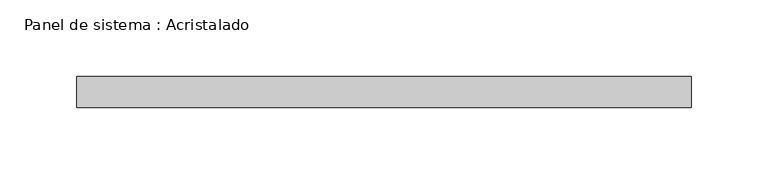
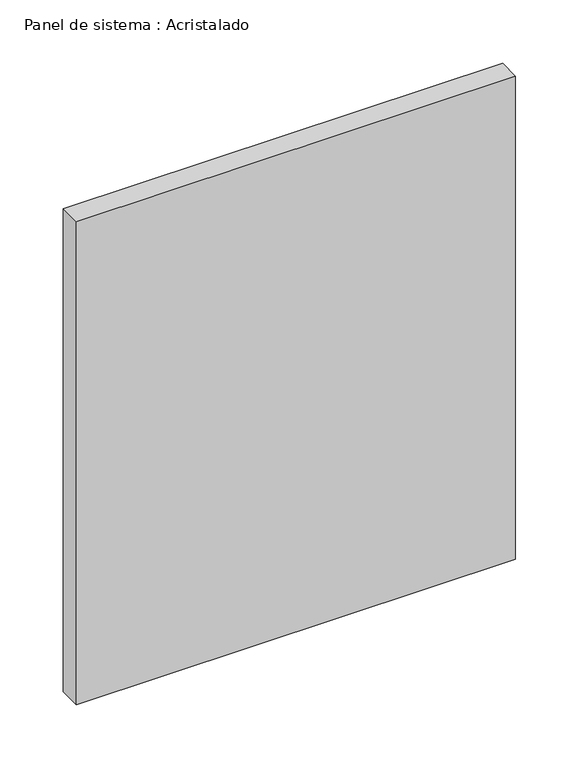
"""IFC4 building model written with IfcOpenShell, lengths in millimetres: plate geometry, Panel de sistema : Acristalado."""

from ifc_helpers import new_model, si_unit, origin, origin_with_axes, place, context, project, spatial, polyline, outline, extrude, source, transform, mapped, element, save


def panel_de_sistema_acristalado_ab97c5d1(model_context):
    return source(origin(), model_context, "Body", "SweptSolid", [
        extrude(outline(polyline([(200.0, -10.0), (-200.0, -10.0), (-200.0, 10.0), (200.0, 10.0), (200.0, -10.0)])), origin_with_axes(), (0.0, 0.0, 1.0), 465.0),
    ])


if __name__ == "__main__":
    model = new_model("IFC4")
    model_context = context("Model", 3, world=origin())
    ifc_project = project(units=[si_unit("LENGTHUNIT", "METRE", prefix="MILLI")], contexts=[model_context])
    site = spatial("IfcSite", under=ifc_project)
    building = spatial("IfcBuilding", under=site)
    placement = place(None, origin())
    panel_de_sistema_acristalado_shape = panel_de_sistema_acristalado_ab97c5d1(model_context)
    element("IfcPlate", 1, ObjectType="Panel de sistema : Acristalado", at=placement, inside=building, context=model_context, shape_type="MappedRepresentation", body=[
        mapped(panel_de_sistema_acristalado_shape, transform((0.0, 0.0, 0.0), x_axis=(1.0, 0.0, 0.0), y_axis=(0.0, 1.0, 0.0), z_axis=(0.0, 0.0, 1.0))),
    ])
    save(model, "model.ifc")
